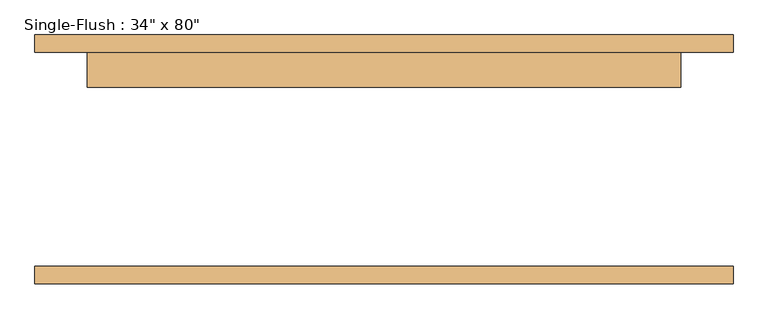
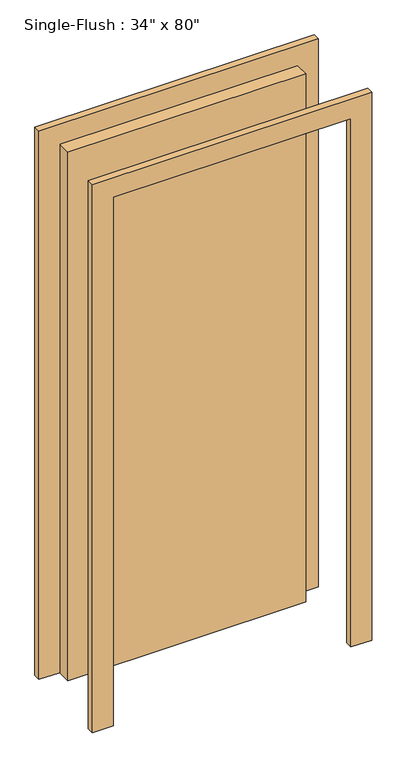
"""IFC4 building model written with IfcOpenShell, lengths in millimetres: door geometry."""

from ifc_helpers import new_model, si_unit, frame, origin, origin_with_axes, place, context, project, spatial, polyline, outline, extrude, source, transform, mapped, element, save


def door_e2bfb0bb(model_context):
    return source(origin(), model_context, "Body", "SweptSolid", [
        extrude(outline(polyline([(2108.2, -508.0), (0.0, -508.0), (0.0, -431.8), (2032.0, -431.8), (2032.0, 431.8), (0.0, 431.8), (0.0, 508.0), (2108.2, 508.0), (2108.2, -508.0)])), frame((0.0, 155.575, 0.0), z_axis=(0.0, 1.0, 0.0), x_axis=(0.0, 0.0, 1.0)), (0.0, 0.0, 1.0), 25.4),
        extrude(outline(polyline([(2108.2, 508.0), (2108.2, -508.0), (0.0, -508.0), (0.0, -431.8), (2032.0, -431.8), (2032.0, 431.8), (0.0, 431.8), (0.0, 508.0), (2108.2, 508.0)])), frame((0.0, -180.975, 0.0), z_axis=(0.0, 1.0, 0.0), x_axis=(0.0, 0.0, 1.0)), (0.0, 0.0, 1.0), 25.4),
        extrude(outline(polyline([(431.8, 104.775), (-431.8, 104.775), (-431.8, 155.575), (431.8, 155.575), (431.8, 104.775)])), origin_with_axes(), (0.0, 0.0, 1.0), 2032.0),
    ])


if __name__ == "__main__":
    model = new_model("IFC4")
    model_context = context("Model", 3, world=origin())
    ifc_project = project(units=[si_unit("LENGTHUNIT", "METRE", prefix="MILLI")], contexts=[model_context])
    site = spatial("IfcSite", under=ifc_project)
    building = spatial("IfcBuilding", under=site)
    placement = place(None, origin())
    door_shape = door_e2bfb0bb(model_context)
    element("IfcDoor", 1, ObjectType="Single-Flush : 34\" x 80\"", at=placement, inside=building, context=model_context, shape_type="MappedRepresentation", body=[
        mapped(door_shape, transform((0.0, 0.0, 0.0), x_axis=(1.0, 0.0, 0.0), y_axis=(0.0, 1.0, 0.0), z_axis=(0.0, 0.0, 1.0))),
    ])
    save(model, "model.ifc")
